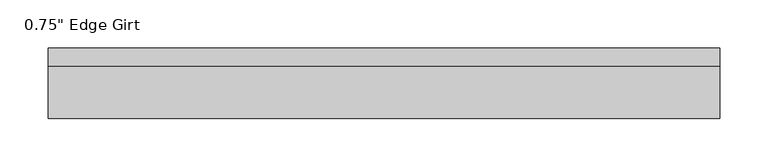
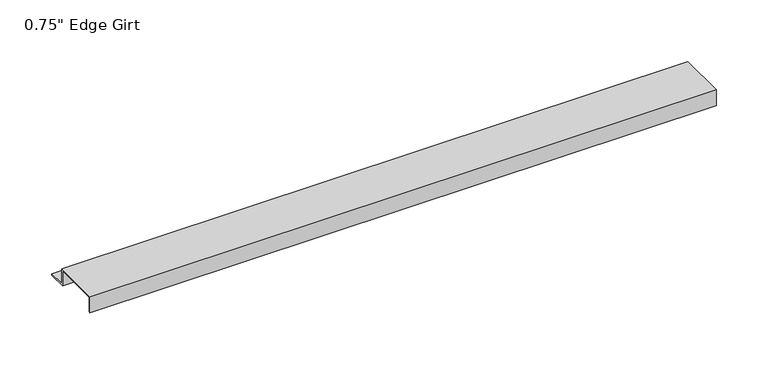
"""IFC4 building model written with IfcOpenShell, lengths in millimetres: proxy geometry."""

from ifc_helpers import new_model, si_unit, frame, origin, place, context, project, spatial, polyline, outline, extrude, source, transform, mapped, element, save


def proxy_5e2851f1(model_context):
    return source(origin(), model_context, "Body", "SweptSolid", [
        extrude(outline(polyline([(46.0559645, -17.4375), (25.4, -17.4375), (25.4, 0.0), (-25.4, 0.0), (-25.4, -17.4375), (-27.0129, -17.4375), (-27.0129, 1.6129), (27.0129, 1.6129), (27.0129, -15.8242), (46.0559645, -15.8242), (46.0559645, -17.4375)])), frame((0.0, 0.0, 0.0), z_axis=(1.0, 0.0, 0.0), x_axis=(0.0, 1.0, 0.0)), (0.0, 0.0, 1.0), 695.3619291),
    ])


if __name__ == "__main__":
    model = new_model("IFC4")
    model_context = context("Model", 3, world=origin())
    ifc_project = project(units=[si_unit("LENGTHUNIT", "METRE", prefix="MILLI")], contexts=[model_context])
    site = spatial("IfcSite", under=ifc_project)
    building = spatial("IfcBuilding", under=site)
    placement = place(None, origin())
    proxy_shape = proxy_5e2851f1(model_context)
    element("IfcBuildingElementProxy", 1, Name="0.75\" Edge Girt", ObjectType="0.75\" Edge Girt", at=placement, inside=building, context=model_context, shape_type="MappedRepresentation", body=[
        mapped(proxy_shape, transform((0.0, 0.0, 0.0), x_axis=(1.0, 0.0, 0.0), y_axis=(0.0, 1.0, 0.0), z_axis=(0.0, 0.0, 1.0))),
    ])
    save(model, "model.ifc")
